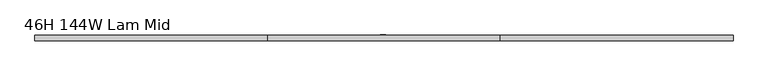
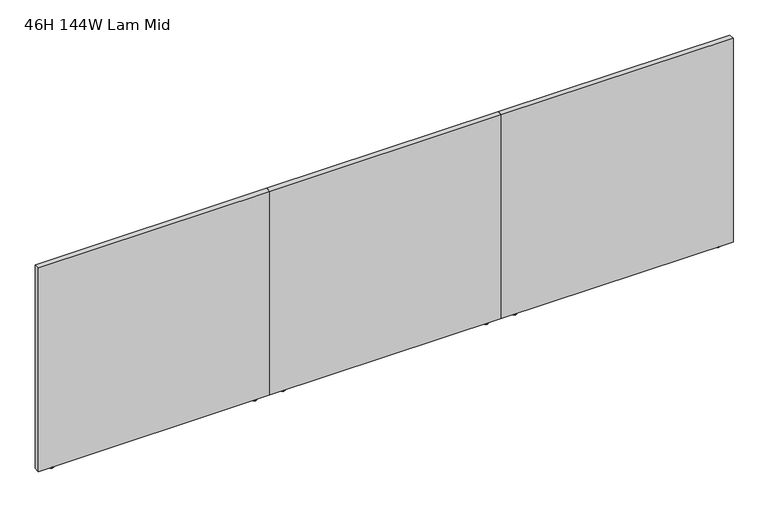
"""IFC4 building model written with IfcOpenShell, lengths in millimetres: furniture geometry, 46H 144W Lam Mid."""

from ifc_helpers import new_model, si_unit, frame, origin, origin_with_axes, place, context, project, spatial, polyline, outline, extrude, source, transform, mapped, element, save


def furniture_46h_144w_lam_mid_434c3c91(model_context):
    return source(origin(), model_context, "Body", "SweptSolid", [
        extrude(outline(polyline([(3670.3, -12.0014999), (3674.4244439, -14.3827499), (3674.4244439, -19.1452499), (3670.3, -21.5264999), (3666.1755515, -19.1452499), (3666.1755515, -14.3827499), (3670.3, -12.0014999)])), frame((0.0, 0.0, 6.2484002), z_axis=(0.0, 0.0, 1.0), x_axis=(1.0, 0.0, 0.0)), (0.0, 0.0, 1.0), 0.7873997),
        extrude(outline(polyline([(3683.0000015, -24.7014992), (3670.3, -31.0514999), (3657.600003, -24.7014992), (3657.600003, -8.8265001), (3670.3, -2.4764999), (3683.0000015, -8.8265001), (3683.0000015, -24.7014992)])), origin_with_axes(), (0.0, 0.0, 1.0), 6.2484002),
        extrude(outline(polyline([(2573.8666667, -12.0014999), (2577.9911151, -14.3827499), (2577.9911151, -19.1452499), (2573.8666667, -21.5264999), (2569.7422227, -19.1452499), (2569.7422227, -14.3827499), (2573.8666667, -12.0014999)])), frame((0.0, 0.0, 6.2484002), z_axis=(0.0, 0.0, 1.0), x_axis=(1.0, 0.0, 0.0)), (0.0, 0.0, 1.0), 0.7873997),
        extrude(outline(polyline([(2563.1351678, -24.7014992), (2563.1351678, -8.8265001), (2573.8666667, -2.4764999), (2586.5666636, -8.8265001), (2586.5666636, -24.7014992), (2573.8666667, -31.0514999), (2563.1351678, -24.7014992)])), origin_with_axes(), (0.0, 0.0, 1.0), 6.2484002),
        extrude(outline(polyline([(3746.5, -1.778), (3746.5, -31.8008002), (2497.6666667, -31.8008002), (2497.6666667, -1.778), (3746.5, -1.778)])), frame((0.0, 0.0, 7.0357999), z_axis=(0.0, 0.0, 1.0), x_axis=(1.0, 0.0, 0.0)), (0.0, 0.0, 1.0), 1161.3642001),
        extrude(outline(polyline([(2421.4666667, -12.0014999), (2425.5911106, -14.3827499), (2425.5911106, -19.1452499), (2421.4666667, -21.5264999), (2417.3422182, -19.1452499), (2417.3422182, -14.3827499), (2421.4666667, -12.0014999)])), frame((0.0, 0.0, 6.2484002), z_axis=(0.0, 0.0, 1.0), x_axis=(1.0, 0.0, 0.0)), (0.0, 0.0, 1.0), 0.7873997),
        extrude(outline(polyline([(2434.1666682, -24.7014992), (2421.4666667, -31.0514999), (2408.7666697, -24.7014992), (2408.7666697, -8.8265001), (2421.4666667, -2.4764999), (2434.1666682, -8.8265001), (2434.1666682, -24.7014992)])), origin_with_axes(), (0.0, 0.0, 1.0), 6.2484002),
        extrude(outline(polyline([(1325.0333333, -12.0014999), (1329.1577818, -14.3827499), (1329.1577818, -19.1452499), (1325.0333333, -21.5264999), (1320.9088894, -19.1452499), (1320.9088894, -14.3827499), (1325.0333333, -12.0014999)])), frame((0.0, 0.0, 6.2484002), z_axis=(0.0, 0.0, 1.0), x_axis=(1.0, 0.0, 0.0)), (0.0, 0.0, 1.0), 0.7873997),
        extrude(outline(polyline([(1314.3018345, -24.7014992), (1314.3018345, -8.8265001), (1325.0333333, -2.4764999), (1337.7333303, -8.8265001), (1337.7333303, -24.7014992), (1325.0333333, -31.0514999), (1314.3018345, -24.7014992)])), origin_with_axes(), (0.0, 0.0, 1.0), 6.2484002),
        extrude(outline(polyline([(2497.6666667, -1.778), (2497.6666667, -31.8008002), (1248.8333333, -31.8008002), (1248.8333333, -1.778), (2497.6666667, -1.778)])), frame((0.0, 0.0, 7.0357999), z_axis=(0.0, 0.0, 1.0), x_axis=(1.0, 0.0, 0.0)), (0.0, 0.0, 1.0), 1161.3642001),
        extrude(outline(polyline([(1172.6333333, -12.0014999), (1176.7577773, -14.3827499), (1176.7577773, -19.1452499), (1172.6333333, -21.5264999), (1168.5088849, -19.1452499), (1168.5088849, -14.3827499), (1172.6333333, -12.0014999)])), frame((0.0, 0.0, 6.2484002), z_axis=(0.0, 0.0, 1.0), x_axis=(1.0, 0.0, 0.0)), (0.0, 0.0, 1.0), 0.7873997),
        extrude(outline(polyline([(1185.3333348, -24.7014992), (1172.6333333, -31.0514999), (1159.9333364, -24.7014992), (1159.9333364, -8.8265001), (1172.6333333, -2.4764999), (1185.3333348, -8.8265001), (1185.3333348, -24.7014992)])), origin_with_axes(), (0.0, 0.0, 1.0), 6.2484002),
        extrude(outline(polyline([(76.2, -12.0014999), (80.3244485, -14.3827499), (80.3244485, -19.1452499), (76.2, -21.5264999), (72.0755561, -19.1452499), (72.0755561, -14.3827499), (76.2, -12.0014999)])), frame((0.0, 0.0, 6.2484002), z_axis=(0.0, 0.0, 1.0), x_axis=(1.0, 0.0, 0.0)), (0.0, 0.0, 1.0), 0.7873997),
        extrude(outline(polyline([(65.4685012, -24.7014992), (65.4685012, -8.8265001), (76.2, -2.4764999), (88.899997, -8.8265001), (88.899997, -24.7014992), (76.2, -31.0514999), (65.4685012, -24.7014992)])), origin_with_axes(), (0.0, 0.0, 1.0), 6.2484002),
        extrude(outline(polyline([(1248.8333333, -1.778), (1248.8333333, -31.8008002), (0.0, -31.8008002), (0.0, -1.778), (1248.8333333, -1.778)])), frame((0.0, 0.0, 7.0357999), z_axis=(0.0, 0.0, 1.0), x_axis=(1.0, 0.0, 0.0)), (0.0, 0.0, 1.0), 1161.3642001),
        extrude(outline(polyline([(1882.203499, 0.0), (1882.203499, -1.778), (1853.6350302, -1.778), (1853.6350302, 0.0), (1882.203499, 0.0)])), frame((0.0, 0.0, 144.9578035), z_axis=(0.0, 0.0, 1.0), x_axis=(1.0, 0.0, 0.0)), (0.0, 0.0, 1.0), 900.6839725),
    ])


if __name__ == "__main__":
    model = new_model("IFC4")
    model_context = context("Model", 3, world=origin())
    ifc_project = project(units=[si_unit("LENGTHUNIT", "METRE", prefix="MILLI")], contexts=[model_context])
    site = spatial("IfcSite", under=ifc_project)
    building = spatial("IfcBuilding", under=site)
    placement = place(None, origin())
    furniture_46h_144w_lam_mid_shape = furniture_46h_144w_lam_mid_434c3c91(model_context)
    element("IfcFurniture", 1, ObjectType="46H 144W Lam Mid", at=placement, inside=building, context=model_context, shape_type="MappedRepresentation", body=[
        mapped(furniture_46h_144w_lam_mid_shape, transform((0.0, 0.0, 0.0), x_axis=(1.0, 0.0, 0.0), y_axis=(0.0, 1.0, 0.0), z_axis=(0.0, 0.0, 1.0))),
    ])
    save(model, "model.ifc")
